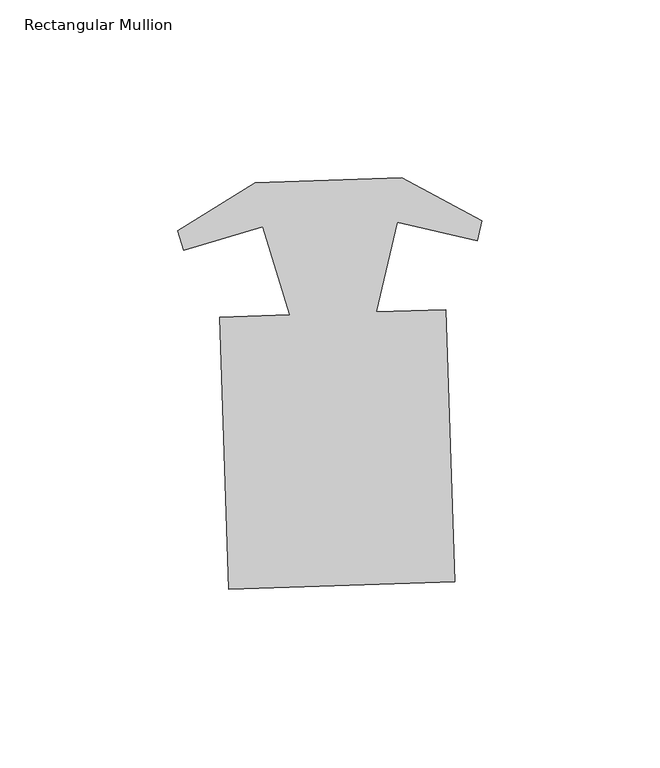
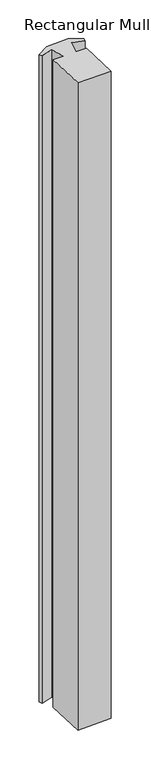
"""IFC4 building model written with IfcOpenShell, lengths in millimetres: member geometry, Rectangular Mullion."""

import ifcopenshell
import ifcopenshell.guid

model = None  # the IFC model being written
_history = None  # IfcOwnerHistory: only IFC2X3 demands one
_inside = {}  # id of a spatial element -> (the spatial element, [elements in it])
_under = {}  # id of a project, library or spatial element -> (it, [spatial elements below it])
_declared = {}  # id of a project -> (the project, [libraries it declares])
_typed = {}  # id of a type object -> (the type object, [elements of that type])
_made_of = {}  # id of a material, layer set ... -> (it, [elements and type objects made of it])


def new_model(schema):
    """Start an empty IFC model of exactly this schema.

    Asked for "IFC4X3", IfcOpenShell would pick the latest addendum, in which some entities
    have other attributes; the version numbers below select the first issue.
    IFC2X3 requires an IfcOwnerHistory on every rooted entity: one is made here for all.
    """
    global model, _history
    if schema == "IFC4X3":
        model = ifcopenshell.file(schema_version=(4, 3, 0, 0))
    else:
        model = ifcopenshell.file(schema=schema)
    _inside.clear()
    _under.clear()
    _declared.clear()
    _typed.clear()
    _made_of.clear()
    _history = None
    if model.schema == "IFC2X3":
        org = make("IfcOrganization", Name="unknown")
        user = make(
            "IfcPersonAndOrganization",
            ThePerson=make("IfcPerson", FamilyName="unknown"),
            TheOrganization=org,
        )
        app = make(
            "IfcApplication",
            ApplicationDeveloper=org,
            Version="unknown",
            ApplicationFullName="unknown",
            ApplicationIdentifier="unknown",
        )
        _history = make(
            "IfcOwnerHistory",
            OwningUser=user,
            OwningApplication=app,
            ChangeAction="ADDED",
            CreationDate=0,
        )
    return model


def make(cls, **values):
    """One entity of the class cls with the attributes given. An attribute that is None is left unset."""
    return model.create_entity(
        cls, **{name: value for name, value in values.items() if value is not None}
    )


def rooted(cls, **values):
    """An entity with a GlobalId (a new one), such as an element, a storey or a relation."""
    return make(cls, GlobalId=ifcopenshell.guid.new(), OwnerHistory=_history, **values)


def si_unit(unit_type, name, prefix=None):
    """IfcSIUnit, for example si_unit("LENGTHUNIT", "METRE", prefix="MILLI")."""
    return make("IfcSIUnit", UnitType=unit_type, Prefix=prefix, Name=name)


def assignment(units):
    """IfcUnitAssignment: the units of a project."""
    return None if units is None else make("IfcUnitAssignment", Units=units)


def point(xyz):
    """IfcCartesianPoint."""
    return None if xyz is None else make("IfcCartesianPoint", Coordinates=xyz)


def direction(xyz):
    """IfcDirection."""
    return None if xyz is None else make("IfcDirection", DirectionRatios=xyz)


def frame(location, z_axis=None, x_axis=None):
    """IfcAxis2Placement3D, a coordinate frame: its origin and axes. An axis left out is left unset."""
    return make(
        "IfcAxis2Placement3D",
        Location=point(location),
        Axis=direction(z_axis),
        RefDirection=direction(x_axis),
    )


def origin():
    """The frame at (0, 0, 0) with its axes left unset."""
    return frame((0.0, 0.0, 0.0))


def place(relative_to, where):
    """IfcLocalPlacement: puts the frame where relative to a parent placement (None: the world)."""
    return make(
        "IfcLocalPlacement", PlacementRelTo=relative_to, RelativePlacement=where
    )


def context(
    kind, dimensions, precision=None, world=None, true_north=None, identifier=None
):
    """IfcGeometricRepresentationContext, for example the 3D "Model" context."""
    return make(
        "IfcGeometricRepresentationContext",
        ContextIdentifier=identifier,
        ContextType=kind,
        CoordinateSpaceDimension=dimensions,
        Precision=precision,
        WorldCoordinateSystem=world,
        TrueNorth=true_north,
    )


def project(units=None, contexts=None):
    """IfcProject with its units and contexts."""
    return rooted(
        "IfcProject",
        Name="project",
        RepresentationContexts=contexts,
        UnitsInContext=assignment(units),
    )


def spatial(cls, under=None, at=None, **own):
    """A site, building, storey or space (cls), placed at a placement, below another one or the project."""
    s = rooted(cls, ObjectPlacement=at, **own)
    if under is not None:
        _under.setdefault(under.id(), (under, []))[1].append(s)
    return s


def polyline(points):
    """IfcPolyline through the points."""
    return make("IfcPolyline", Points=[point(p) for p in points])


def outline(outer, holes=None, kind="AREA"):
    """IfcArbitraryClosedProfileDef: a profile drawn as a closed curve; with holes, ...WithVoids."""
    if holes is None:
        return make("IfcArbitraryClosedProfileDef", ProfileType=kind, OuterCurve=outer)
    return make(
        "IfcArbitraryProfileDefWithVoids",
        ProfileType=kind,
        OuterCurve=outer,
        InnerCurves=holes,
    )


def extrude(swept, where, along, depth):
    """IfcExtrudedAreaSolid: the profile swept, set in the frame where, extruded along a direction by depth."""
    return make(
        "IfcExtrudedAreaSolid",
        SweptArea=swept,
        Position=where,
        ExtrudedDirection=direction(along),
        Depth=depth,
    )


def shape(context_of_items, identifier, shape_type, items):
    """IfcShapeRepresentation: the items that make up one representation, for example the "Body"."""
    return make(
        "IfcShapeRepresentation",
        ContextOfItems=context_of_items,
        RepresentationIdentifier=identifier,
        RepresentationType=shape_type,
        Items=items,
    )


def source(mapping_origin, context_of_items, identifier, shape_type, items):
    """IfcRepresentationMap: a shape defined once, which mapped items show again and again."""
    return make(
        "IfcRepresentationMap",
        MappingOrigin=mapping_origin,
        MappedRepresentation=shape(context_of_items, identifier, shape_type, items),
    )


def transform(
    local_origin,
    x_axis=None,
    y_axis=None,
    z_axis=None,
    scale=None,
    scale2=None,
    scale3=None,
    uniform=True,
):
    """IfcCartesianTransformationOperator3D, or its non-uniform kind. x_axis, y_axis, z_axis: its Axis1, 2, 3."""
    if uniform:
        return make(
            "IfcCartesianTransformationOperator3D",
            Axis1=direction(x_axis),
            Axis2=direction(y_axis),
            LocalOrigin=point(local_origin),
            Scale=scale,
            Axis3=direction(z_axis),
        )
    return make(
        "IfcCartesianTransformationOperator3DnonUniform",
        Axis1=direction(x_axis),
        Axis2=direction(y_axis),
        LocalOrigin=point(local_origin),
        Scale=scale,
        Axis3=direction(z_axis),
        Scale2=scale2,
        Scale3=scale3,
    )


def mapped(mapping_source, mapping_target):
    """IfcMappedItem: shows the shape of a source again, moved by a transform."""
    return make(
        "IfcMappedItem", MappingSource=mapping_source, MappingTarget=mapping_target
    )


def made_of(thing, what):
    """Note that an element or type object is made of a material, layer set ...; save() writes the relation."""
    if what is not None:
        _made_of.setdefault(what.id(), (what, []))[1].append(thing)
    return thing


def element(
    cls,
    number,
    at=None,
    inside=None,
    cuts=None,
    type_object=None,
    material=None,
    context=None,
    identifier="Body",
    shape_type=None,
    held_by="IfcProductDefinitionShape",
    body=None,
    shapes=None,
    **own,
):
    """One element of the class cls, such as IfcWall. Its Tag is "e" and its number.

    at: its placement. inside: the storey or other place that contains it. cuts: it is an
    opening in that element (IfcRelVoidsElement). A single representation is given by context,
    identifier, shape_type and body (its items); several are given by shapes. held_by: the class
    of the entity that holds the representations. save() writes the other relations.
    """
    e = rooted(cls, Tag="e%d" % number, ObjectPlacement=at, **own)
    if body is not None:
        shapes = [shape(context, identifier, shape_type, body)]
    if shapes is not None:
        e.Representation = make(held_by, Representations=shapes)
    if inside is not None:
        _inside.setdefault(inside.id(), (inside, []))[1].append(e)
    if cuts is not None:
        rooted(
            "IfcRelVoidsElement", RelatingBuildingElement=cuts, RelatedOpeningElement=e
        )
    if type_object is not None:
        _typed.setdefault(type_object.id(), (type_object, []))[1].append(e)
    return made_of(e, material)


def aggregate(whole, parts):
    """IfcRelAggregates: a whole, such as a stair, and the parts it consists of."""
    return rooted("IfcRelAggregates", RelatingObject=whole, RelatedObjects=parts)


def save(model, path):
    """Write the relations noted so far, then the file.

    IfcRelAggregates (storeys below a building ...), IfcRelContainedInSpatialStructure (elements
    in a storey), IfcRelDefinesByType, IfcRelAssociatesMaterial and IfcRelDeclares: one each for
    every whole, place, type object, material and project.
    """
    for whole, parts in _under.values():
        aggregate(whole, parts)
    for where, things in _inside.values():
        rooted(
            "IfcRelContainedInSpatialStructure",
            RelatedElements=things,
            RelatingStructure=where,
        )
    for kind, things in _typed.values():
        rooted("IfcRelDefinesByType", RelatedObjects=things, RelatingType=kind)
    for what, things in _made_of.values():
        rooted("IfcRelAssociatesMaterial", RelatedObjects=things, RelatingMaterial=what)
    for by, libraries in _declared.values():
        rooted("IfcRelDeclares", RelatingContext=by, RelatedDefinitions=libraries)
    model.write(path)


def rectangular_mullion_a2d170ce(model_context):
    return source(origin(), model_context, "Body", "SweptSolid", [
        extrude(outline(polyline([(34.4413672, -82.2616258), (-29.0251758, -84.3226722), (-31.5091489, -7.8327945), (-11.934479, -7.1971162), (-19.4476589, 17.5938811), (-41.6035387, 10.8793021), (-43.2888335, 16.4402149), (-21.5888206, 29.9262735), (19.6081352, 31.2641254), (42.1374109, 19.2143923), (40.8164626, 13.5558531), (18.2716183, 18.818797), (12.3827243, -6.4074264), (31.9573942, -5.7717481), (34.4413672, -82.2616258)])), frame((0.0, 0.0, -1282.472221), z_axis=(0.0, 0.0, 1.0), x_axis=(1.0, 0.0, 0.0)), (0.0, 0.0, 1.0), 1282.472221),
    ])


if __name__ == "__main__":
    model = new_model("IFC4")
    model_context = context("Model", 3, world=origin())
    ifc_project = project(units=[si_unit("LENGTHUNIT", "METRE", prefix="MILLI")], contexts=[model_context])
    site = spatial("IfcSite", under=ifc_project)
    building = spatial("IfcBuilding", under=site)
    placement = place(None, origin())
    rectangular_mullion_shape = rectangular_mullion_a2d170ce(model_context)
    element("IfcMember", 1, ObjectType="Rectangular Mullion", at=placement, inside=building, context=model_context, shape_type="MappedRepresentation", body=[
        mapped(rectangular_mullion_shape, transform((0.0, 0.0, 0.0), x_axis=(1.0, 0.0, 0.0), y_axis=(0.0, 1.0, 0.0), z_axis=(0.0, 0.0, 1.0))),
    ])
    save(model, "model.ifc")
